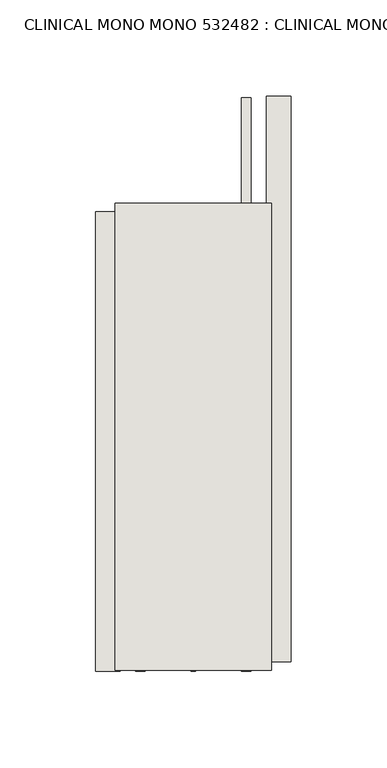
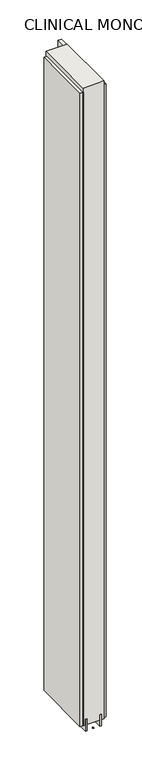
"""IFC4 building model written with IfcOpenShell, lengths in millimetres: wall geometry, CLINICAL MONO MONO 532482 : CLINICAL MONO MONO 532482."""

from ifc_helpers import new_model, si_unit, frame, origin, place, context, project, spatial, polyline, outline, extrude, source, transform, mapped, element, save


def clinical_mono_mono_532482_clinical_mono_mono_532482_b75fd5d2(model_context):
    return source(origin(), model_context, "Body", "SweptSolid", [
        extrude(outline(polyline([(44102.7108038, -56935.804086), (44102.7108038, -56933.264086), (44105.2508038, -56933.264086), (44105.2508038, -56935.804086), (44102.7108038, -56935.804086)])), frame((0.0, 0.0, 4419.6), z_axis=(0.0, 0.0, 1.0), x_axis=(1.0, 0.0, 0.0)), (0.0, 0.0, 1.0), 2.54),
        extrude(outline(polyline([(44154.7808038, -56636.7015981), (44154.7808038, -56931.3368991), (44142.0808038, -56931.3368991), (44142.0808038, -56636.7015981), (44154.7808038, -56636.7015981)])), frame((0.0, 0.0, 4445.0), z_axis=(0.0, 0.0, 1.0), x_axis=(1.0, 0.0, 0.0)), (0.0, 0.0, 1.0), 2545.0498756),
        extrude(outline(polyline([(44053.1808038, -56936.2678392), (44053.1808038, -56696.9325292), (44065.8808038, -56696.9325292), (44065.8808038, -56936.2678392), (44053.1808038, -56936.2678392)])), frame((0.0, 0.0, 4445.0), z_axis=(0.0, 0.0, 1.0), x_axis=(1.0, 0.0, 0.0)), (0.0, 0.0, 1.0), 2545.0498756),
        extrude(outline(polyline([(44129.070746, -56935.799133), (44129.070746, -56637.1754986), (44134.1495014, -56637.1754986), (44134.1495014, -56935.799133), (44129.070746, -56935.799133)])), frame((0.0, 0.0, 4418.6602), z_axis=(0.0, 0.0, 1.0), x_axis=(1.0, 0.0, 0.0)), (0.0, 0.0, 1.0), 47.625),
        extrude(outline(polyline([(44129.070746, -56935.799133), (44129.070746, -56637.1754986), (44134.1495014, -56637.1754986), (44134.1495014, -56935.799133), (44129.070746, -56935.799133)])), frame((0.0, 0.0, 4418.6602), z_axis=(0.0, 0.0, 1.0), x_axis=(1.0, 0.0, 0.0)), (0.0, 0.0, 1.0), 47.625),
        extrude(outline(polyline([(44078.906381, -56692.4713494), (44078.906381, -56935.799133), (44073.8245014, -56935.799133), (44073.8245014, -56692.4713494), (44078.906381, -56692.4713494)])), frame((0.0, 0.0, 4418.6602), z_axis=(0.0, 0.0, 1.0), x_axis=(1.0, 0.0, 0.0)), (0.0, 0.0, 1.0), 47.625),
        extrude(outline(polyline([(44078.906381, -56692.4713494), (44078.906381, -56935.799133), (44073.8245014, -56935.799133), (44073.8245014, -56692.4713494), (44078.906381, -56692.4713494)])), frame((0.0, 0.0, 4418.6602), z_axis=(0.0, 0.0, 1.0), x_axis=(1.0, 0.0, 0.0)), (0.0, 0.0, 1.0), 47.625),
        extrude(outline(polyline([(44144.6170954, -56935.799133), (44063.3352412, -56935.799133), (44063.3352412, -56692.4713494), (44144.6170954, -56692.4713494), (44144.6170954, -56935.799133)])), frame((0.0, 0.0, 4445.0), z_axis=(0.0, 0.0, 1.0), x_axis=(1.0, 0.0, 0.0)), (0.0, 0.0, 1.0), 2562.4536762),
    ])


if __name__ == "__main__":
    model = new_model("IFC4")
    model_context = context("Model", 3, world=origin())
    ifc_project = project(units=[si_unit("LENGTHUNIT", "METRE", prefix="MILLI")], contexts=[model_context])
    site = spatial("IfcSite", under=ifc_project)
    building = spatial("IfcBuilding", under=site)
    placement = place(None, origin())
    clinical_mono_mono_532482_clinical_mono_mono_532482_shape = clinical_mono_mono_532482_clinical_mono_mono_532482_b75fd5d2(model_context)
    element("IfcWall", 1, ObjectType="CLINICAL MONO MONO 532482 : CLINICAL MONO MONO 532482", at=placement, inside=building, context=model_context, shape_type="MappedRepresentation", body=[
        mapped(clinical_mono_mono_532482_clinical_mono_mono_532482_shape, transform((0.0, 0.0, 0.0), x_axis=(1.0, 0.0, 0.0), y_axis=(0.0, 1.0, 0.0), z_axis=(0.0, 0.0, 1.0))),
    ])
    save(model, "model.ifc")
